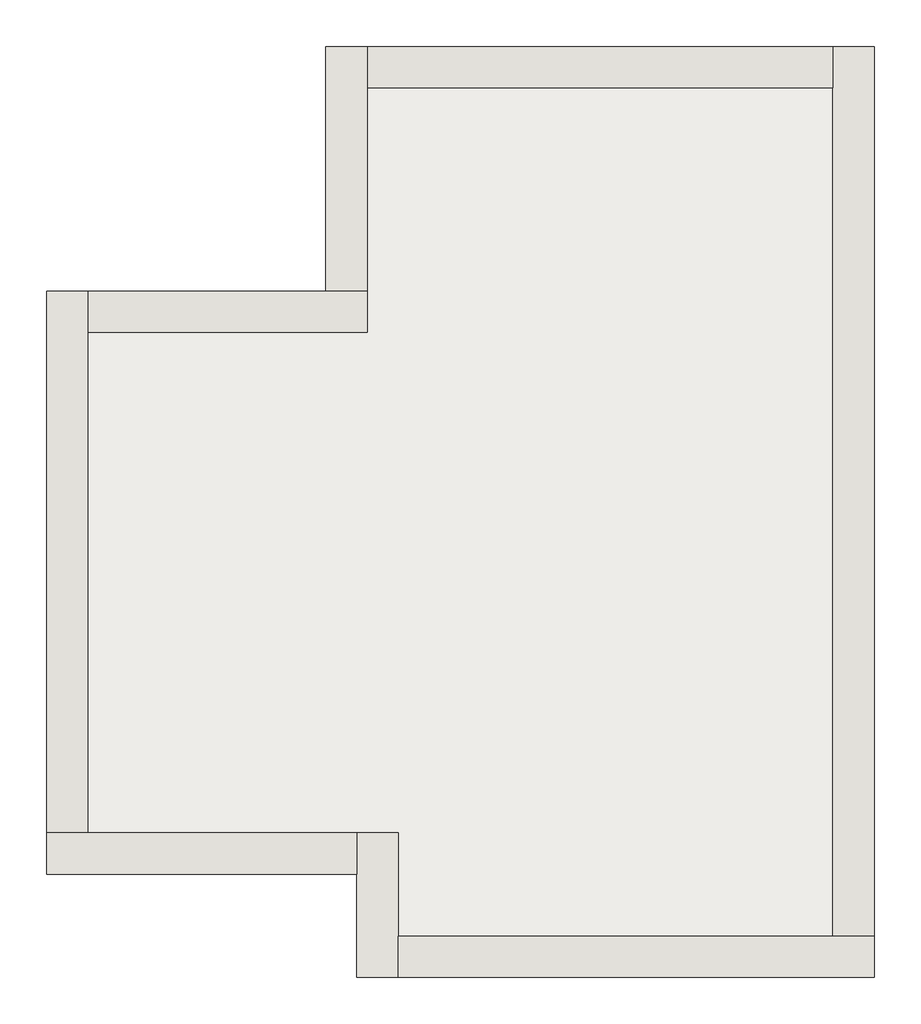
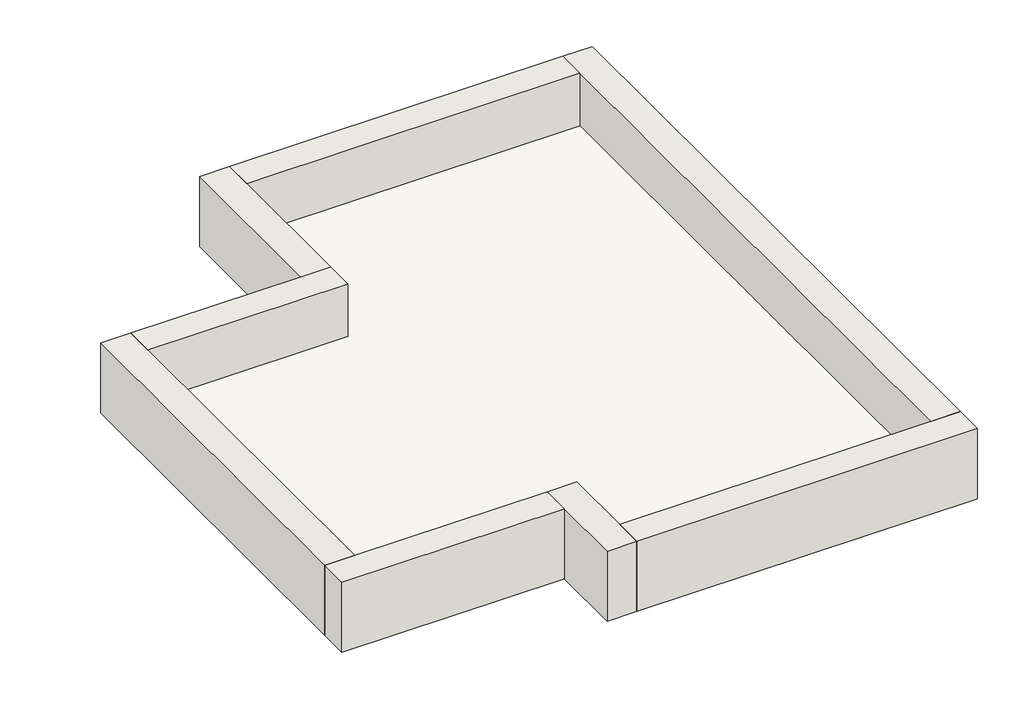
# One storey: 8 walls, 1 slab.
"""IFC4 building model written with IfcOpenShell, lengths in millimetres."""

from ifc_helpers import new_model, si_unit, frame, origin, place, context, project, spatial, polyline, outline, extrude, faceted_brep, element, save

model = new_model("IFC4")

# Units and contexts
model_context = context("Model", 3, world=origin())
ifc_project = project(units=[si_unit("LENGTHUNIT", "METRE", prefix="MILLI")], contexts=[model_context])

# Site, building, storey
site = spatial("IfcSite", under=ifc_project)
building = spatial("IfcBuilding", under=site)
storey = spatial("IfcBuildingStorey", under=building, Elevation=6190.0)

# Slab
placement = place(None, origin())
element("IfcSlab", 1, ObjectType="Generic - 12\"", at=placement, inside=storey, context=model_context, shape_type="SweptSolid", body=[
    extrude(outline(polyline([(1016.305434, -2074.9034387), (-3183.694566, -2074.9034387), (-3183.694566, -1074.9034387), (-6183.694566, -1074.9034387), (-6183.694566, 3761.5965613), (-3483.694566, 3761.5965613), (-3483.694566, 6125.0965613), (1016.305434, 6125.0965613), (1016.305434, -2074.9034387)])), frame((0.0, 0.0, 5750.0), z_axis=(0.0, 0.0, 1.0), x_axis=(1.0, 0.0, 0.0)), (0.0, 0.0, 1.0), 250.0),
])

# Walls
element("IfcWall", 2, at=placement, inside=storey, context=model_context, shape_type="Brep", body=[
    faceted_brep([(1416.305434, -2074.9034387, 5750.0), (1016.305434, -2074.9034387, 5750.0), (-3183.694566, -2074.9034387, 5750.0), (-3183.694566, -2074.9034387, 6750.0), (1016.305434, -2074.9034387, 6750.0), (1416.305434, -2074.9034387, 6750.0), (1416.305434, -2474.9034387, 5750.0), (1416.305434, -2474.9034387, 6750.0), (-3183.694566, -2474.9034387, 6750.0), (-3183.694566, -2474.9034387, 5750.0)], [[[0, 1, 2, 3, 4, 5]], [[6, 7, 8, 9]], [[2, 1, 0, 6, 9]], [[5, 4, 3, 8, 7]], [[3, 2, 9, 8]], [[0, 5, 7, 6]]]),
])
element("IfcWall", 3, at=placement, inside=storey, context=model_context, shape_type="Brep", body=[
    faceted_brep([(-3183.694566, -2474.9034387, 5750.0), (-3183.694566, -2074.9034387, 5750.0), (-3183.694566, -1074.9034387, 5750.0), (-3183.694566, -1074.9034387, 6750.0), (-3183.694566, -2074.9034387, 6750.0), (-3183.694566, -2474.9034387, 6750.0), (-3583.694566, -2474.9034387, 5750.0), (-3583.694566, -2474.9034387, 6750.0), (-3583.694566, -1474.9034387, 6750.0), (-3583.694566, -1074.9034387, 6750.0), (-3583.694566, -1074.9034387, 5750.0), (-3583.694566, -1474.9034387, 5750.0)], [[[0, 1, 2, 3, 4, 5]], [[6, 7, 8, 9, 10, 11]], [[2, 1, 0, 6, 11, 10]], [[5, 4, 3, 9, 8, 7]], [[0, 5, 7, 6]], [[3, 2, 10, 9]]]),
])
element("IfcWall", 4, at=placement, inside=storey, context=model_context, shape_type="Brep", body=[
    faceted_brep([(-3583.694566, -1074.9034387, 5750.0), (-6183.694566, -1074.9034387, 5750.0), (-6583.694566, -1074.9034387, 5750.0), (-6583.694566, -1074.9034387, 6750.0), (-6183.694566, -1074.9034387, 6750.0), (-3583.694566, -1074.9034387, 6750.0), (-3583.694566, -1474.9034387, 5750.0), (-3583.694566, -1474.9034387, 6750.0), (-6583.694566, -1474.9034387, 6750.0), (-6583.694566, -1474.9034387, 5750.0)], [[[0, 1, 2, 3, 4, 5]], [[6, 7, 8, 9]], [[2, 1, 0, 6, 9]], [[5, 4, 3, 8, 7]], [[0, 5, 7, 6]], [[3, 2, 9, 8]]]),
])
element("IfcWall", 5, at=placement, inside=storey, context=model_context, shape_type="Brep", body=[
    faceted_brep([(-6183.694566, -1074.9034387, 5750.0), (-6183.694566, 3761.5965613, 5750.0), (-6183.694566, 4161.5965613, 5750.0), (-6183.694566, 4161.5965613, 6750.0), (-6183.694566, 3761.5965613, 6750.0), (-6183.694566, -1074.9034387, 6750.0), (-6583.694566, -1074.9034387, 5750.0), (-6583.694566, -1074.9034387, 6750.0), (-6583.694566, 4161.5965613, 6750.0), (-6583.694566, 4161.5965613, 5750.0)], [[[0, 1, 2, 3, 4, 5]], [[6, 7, 8, 9]], [[2, 1, 0, 6, 9]], [[5, 4, 3, 8, 7]], [[0, 5, 7, 6]], [[3, 2, 9, 8]]]),
])
element("IfcWall", 6, at=placement, inside=storey, context=model_context, shape_type="Brep", body=[
    faceted_brep([(-6183.694566, 3761.5965613, 5750.0), (-3483.694566, 3761.5965613, 5750.0), (-3483.694566, 3761.5965613, 6750.0), (-6183.694566, 3761.5965613, 6750.0), (-6183.694566, 4161.5965613, 5750.0), (-6183.694566, 4161.5965613, 6750.0), (-3883.694566, 4161.5965613, 6750.0), (-3483.694566, 4161.5965613, 6750.0), (-3483.694566, 4161.5965613, 5750.0), (-3883.694566, 4161.5965613, 5750.0)], [[[0, 1, 2, 3]], [[4, 5, 6, 7, 8, 9]], [[1, 0, 4, 9, 8]], [[3, 2, 7, 6, 5]], [[0, 3, 5, 4]], [[2, 1, 8, 7]]]),
])
element("IfcWall", 7, at=placement, inside=storey, context=model_context, shape_type="Brep", body=[
    faceted_brep([(-3483.694566, 4161.5965613, 5750.0), (-3483.694566, 6125.0965613, 5750.0), (-3483.694566, 6525.0965613, 5750.0), (-3483.694566, 6525.0965613, 6750.0), (-3483.694566, 6125.0965613, 6750.0), (-3483.694566, 4161.5965613, 6750.0), (-3883.694566, 4161.5965613, 5750.0), (-3883.694566, 4161.5965613, 6750.0), (-3883.694566, 6525.0965613, 6750.0), (-3883.694566, 6525.0965613, 5750.0)], [[[0, 1, 2, 3, 4, 5]], [[6, 7, 8, 9]], [[2, 1, 0, 6, 9]], [[5, 4, 3, 8, 7]], [[0, 5, 7, 6]], [[3, 2, 9, 8]]]),
])
element("IfcWall", 8, at=placement, inside=storey, context=model_context, shape_type="Brep", body=[
    faceted_brep([(1416.305434, -2074.9034387, 5750.0), (1416.305434, 6525.0965613, 5750.0), (1416.305434, 6525.0965613, 6750.0), (1416.305434, -2074.9034387, 6750.0), (1016.305434, -2074.9034387, 5750.0), (1016.305434, -2074.9034387, 6750.0), (1016.305434, 6125.0965613, 6750.0), (1016.305434, 6525.0965613, 6750.0), (1016.305434, 6525.0965613, 5750.0), (1016.305434, 6125.0965613, 5750.0)], [[[0, 1, 2, 3]], [[4, 5, 6, 7, 8, 9]], [[1, 0, 4, 9, 8]], [[3, 2, 7, 6, 5]], [[0, 3, 5, 4]], [[2, 1, 8, 7]]]),
])
element("IfcWall", 9, at=placement, inside=storey, context=model_context, shape_type="SweptSolid", body=[
    extrude(outline(polyline([(-3483.694566, 6525.0965613), (1016.305434, 6525.0965613), (1016.305434, 6125.0965613), (-3483.694566, 6125.0965613), (-3483.694566, 6525.0965613)])), frame((0.0, 0.0, 5750.0), z_axis=(0.0, 0.0, 1.0), x_axis=(1.0, 0.0, 0.0)), (0.0, 0.0, 1.0), 1000.0),
])

save(model, "model.ifc")
